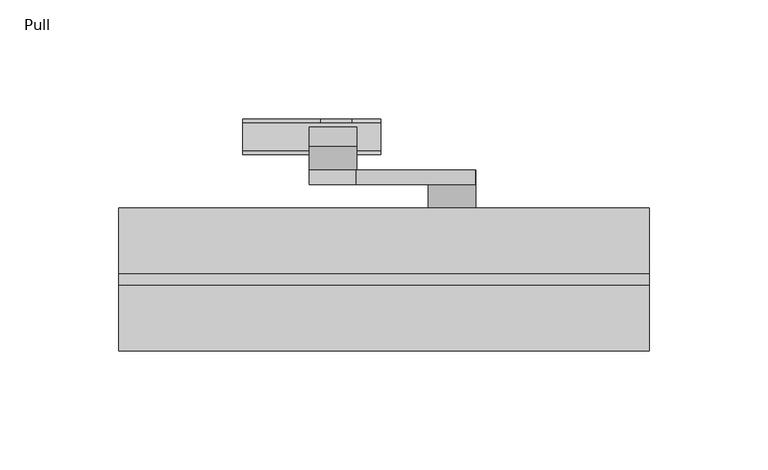
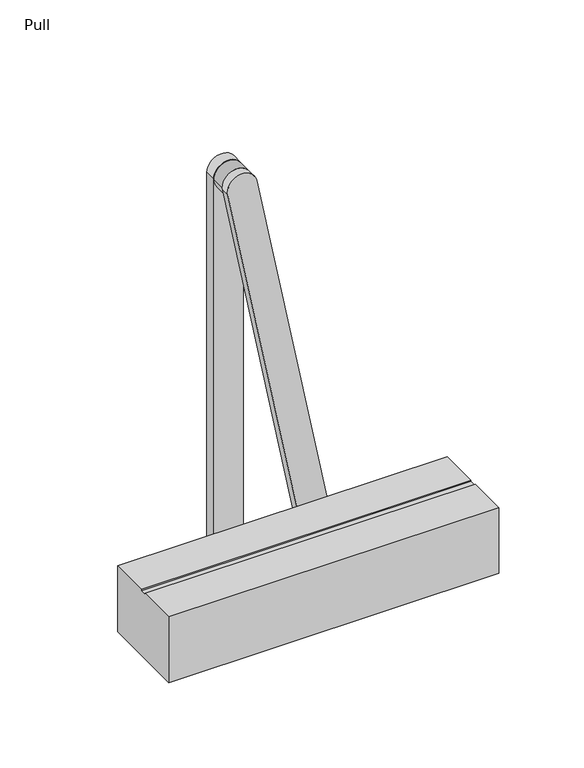
"""IFC4 building model written with IfcOpenShell, lengths in millimetres: proxy geometry, Pull."""

import ifcopenshell
import ifcopenshell.guid

model = None  # the IFC model being written
_history = None  # IfcOwnerHistory: only IFC2X3 demands one
_inside = {}  # id of a spatial element -> (the spatial element, [elements in it])
_under = {}  # id of a project, library or spatial element -> (it, [spatial elements below it])
_declared = {}  # id of a project -> (the project, [libraries it declares])
_typed = {}  # id of a type object -> (the type object, [elements of that type])
_made_of = {}  # id of a material, layer set ... -> (it, [elements and type objects made of it])


def new_model(schema):
    """Start an empty IFC model of exactly this schema.

    Asked for "IFC4X3", IfcOpenShell would pick the latest addendum, in which some entities
    have other attributes; the version numbers below select the first issue.
    IFC2X3 requires an IfcOwnerHistory on every rooted entity: one is made here for all.
    """
    global model, _history
    if schema == "IFC4X3":
        model = ifcopenshell.file(schema_version=(4, 3, 0, 0))
    else:
        model = ifcopenshell.file(schema=schema)
    _inside.clear()
    _under.clear()
    _declared.clear()
    _typed.clear()
    _made_of.clear()
    _history = None
    if model.schema == "IFC2X3":
        org = make("IfcOrganization", Name="unknown")
        user = make(
            "IfcPersonAndOrganization",
            ThePerson=make("IfcPerson", FamilyName="unknown"),
            TheOrganization=org,
        )
        app = make(
            "IfcApplication",
            ApplicationDeveloper=org,
            Version="unknown",
            ApplicationFullName="unknown",
            ApplicationIdentifier="unknown",
        )
        _history = make(
            "IfcOwnerHistory",
            OwningUser=user,
            OwningApplication=app,
            ChangeAction="ADDED",
            CreationDate=0,
        )
    return model


def make(cls, **values):
    """One entity of the class cls with the attributes given. An attribute that is None is left unset."""
    return model.create_entity(
        cls, **{name: value for name, value in values.items() if value is not None}
    )


def rooted(cls, **values):
    """An entity with a GlobalId (a new one), such as an element, a storey or a relation."""
    return make(cls, GlobalId=ifcopenshell.guid.new(), OwnerHistory=_history, **values)


def si_unit(unit_type, name, prefix=None):
    """IfcSIUnit, for example si_unit("LENGTHUNIT", "METRE", prefix="MILLI")."""
    return make("IfcSIUnit", UnitType=unit_type, Prefix=prefix, Name=name)


def assignment(units):
    """IfcUnitAssignment: the units of a project."""
    return None if units is None else make("IfcUnitAssignment", Units=units)


def point(xyz):
    """IfcCartesianPoint."""
    return None if xyz is None else make("IfcCartesianPoint", Coordinates=xyz)


def direction(xyz):
    """IfcDirection."""
    return None if xyz is None else make("IfcDirection", DirectionRatios=xyz)


def frame(location, z_axis=None, x_axis=None):
    """IfcAxis2Placement3D, a coordinate frame: its origin and axes. An axis left out is left unset."""
    return make(
        "IfcAxis2Placement3D",
        Location=point(location),
        Axis=direction(z_axis),
        RefDirection=direction(x_axis),
    )


def frame_2d(location, x_axis=None):
    """IfcAxis2Placement2D, a coordinate frame in the plane: its origin and x axis."""
    return make(
        "IfcAxis2Placement2D", Location=point(location), RefDirection=direction(x_axis)
    )


def origin():
    """The frame at (0, 0, 0) with its axes left unset."""
    return frame((0.0, 0.0, 0.0))


def place(relative_to, where):
    """IfcLocalPlacement: puts the frame where relative to a parent placement (None: the world)."""
    return make(
        "IfcLocalPlacement", PlacementRelTo=relative_to, RelativePlacement=where
    )


def context(
    kind, dimensions, precision=None, world=None, true_north=None, identifier=None
):
    """IfcGeometricRepresentationContext, for example the 3D "Model" context."""
    return make(
        "IfcGeometricRepresentationContext",
        ContextIdentifier=identifier,
        ContextType=kind,
        CoordinateSpaceDimension=dimensions,
        Precision=precision,
        WorldCoordinateSystem=world,
        TrueNorth=true_north,
    )


def project(units=None, contexts=None):
    """IfcProject with its units and contexts."""
    return rooted(
        "IfcProject",
        Name="project",
        RepresentationContexts=contexts,
        UnitsInContext=assignment(units),
    )


def spatial(cls, under=None, at=None, **own):
    """A site, building, storey or space (cls), placed at a placement, below another one or the project."""
    s = rooted(cls, ObjectPlacement=at, **own)
    if under is not None:
        _under.setdefault(under.id(), (under, []))[1].append(s)
    return s


def polyline(points):
    """IfcPolyline through the points."""
    return make("IfcPolyline", Points=[point(p) for p in points])


def circle_curve(where, radius):
    """IfcCircle in the frame where."""
    return make("IfcCircle", Position=where, Radius=radius)


def trimmed(basis, trim1, trim2, sense, master):
    """IfcTrimmedCurve: the piece of a basis curve between two trims."""
    return make(
        "IfcTrimmedCurve",
        BasisCurve=basis,
        Trim1=trim1,
        Trim2=trim2,
        SenseAgreement=sense,
        MasterRepresentation=master,
    )


def segment(curve, same_sense, transition):
    """IfcCompositeCurveSegment."""
    return make(
        "IfcCompositeCurveSegment",
        Transition=transition,
        SameSense=same_sense,
        ParentCurve=curve,
    )


def composite_curve(segments, self_intersect=None):
    """IfcCompositeCurve: segments joined end to end."""
    return make("IfcCompositeCurve", Segments=segments, SelfIntersect=self_intersect)


def outline(outer, holes=None, kind="AREA"):
    """IfcArbitraryClosedProfileDef: a profile drawn as a closed curve; with holes, ...WithVoids."""
    if holes is None:
        return make("IfcArbitraryClosedProfileDef", ProfileType=kind, OuterCurve=outer)
    return make(
        "IfcArbitraryProfileDefWithVoids",
        ProfileType=kind,
        OuterCurve=outer,
        InnerCurves=holes,
    )


def extrude(swept, where, along, depth):
    """IfcExtrudedAreaSolid: the profile swept, set in the frame where, extruded along a direction by depth."""
    return make(
        "IfcExtrudedAreaSolid",
        SweptArea=swept,
        Position=where,
        ExtrudedDirection=direction(along),
        Depth=depth,
    )


def shape(context_of_items, identifier, shape_type, items):
    """IfcShapeRepresentation: the items that make up one representation, for example the "Body"."""
    return make(
        "IfcShapeRepresentation",
        ContextOfItems=context_of_items,
        RepresentationIdentifier=identifier,
        RepresentationType=shape_type,
        Items=items,
    )


def source(mapping_origin, context_of_items, identifier, shape_type, items):
    """IfcRepresentationMap: a shape defined once, which mapped items show again and again."""
    return make(
        "IfcRepresentationMap",
        MappingOrigin=mapping_origin,
        MappedRepresentation=shape(context_of_items, identifier, shape_type, items),
    )


def transform(
    local_origin,
    x_axis=None,
    y_axis=None,
    z_axis=None,
    scale=None,
    scale2=None,
    scale3=None,
    uniform=True,
):
    """IfcCartesianTransformationOperator3D, or its non-uniform kind. x_axis, y_axis, z_axis: its Axis1, 2, 3."""
    if uniform:
        return make(
            "IfcCartesianTransformationOperator3D",
            Axis1=direction(x_axis),
            Axis2=direction(y_axis),
            LocalOrigin=point(local_origin),
            Scale=scale,
            Axis3=direction(z_axis),
        )
    return make(
        "IfcCartesianTransformationOperator3DnonUniform",
        Axis1=direction(x_axis),
        Axis2=direction(y_axis),
        LocalOrigin=point(local_origin),
        Scale=scale,
        Axis3=direction(z_axis),
        Scale2=scale2,
        Scale3=scale3,
    )


def mapped(mapping_source, mapping_target):
    """IfcMappedItem: shows the shape of a source again, moved by a transform."""
    return make(
        "IfcMappedItem", MappingSource=mapping_source, MappingTarget=mapping_target
    )


def made_of(thing, what):
    """Note that an element or type object is made of a material, layer set ...; save() writes the relation."""
    if what is not None:
        _made_of.setdefault(what.id(), (what, []))[1].append(thing)
    return thing


def element(
    cls,
    number,
    at=None,
    inside=None,
    cuts=None,
    type_object=None,
    material=None,
    context=None,
    identifier="Body",
    shape_type=None,
    held_by="IfcProductDefinitionShape",
    body=None,
    shapes=None,
    **own,
):
    """One element of the class cls, such as IfcWall. Its Tag is "e" and its number.

    at: its placement. inside: the storey or other place that contains it. cuts: it is an
    opening in that element (IfcRelVoidsElement). A single representation is given by context,
    identifier, shape_type and body (its items); several are given by shapes. held_by: the class
    of the entity that holds the representations. save() writes the other relations.
    """
    e = rooted(cls, Tag="e%d" % number, ObjectPlacement=at, **own)
    if body is not None:
        shapes = [shape(context, identifier, shape_type, body)]
    if shapes is not None:
        e.Representation = make(held_by, Representations=shapes)
    if inside is not None:
        _inside.setdefault(inside.id(), (inside, []))[1].append(e)
    if cuts is not None:
        rooted(
            "IfcRelVoidsElement", RelatingBuildingElement=cuts, RelatedOpeningElement=e
        )
    if type_object is not None:
        _typed.setdefault(type_object.id(), (type_object, []))[1].append(e)
    return made_of(e, material)


def aggregate(whole, parts):
    """IfcRelAggregates: a whole, such as a stair, and the parts it consists of."""
    return rooted("IfcRelAggregates", RelatingObject=whole, RelatedObjects=parts)


def save(model, path):
    """Write the relations noted so far, then the file.

    IfcRelAggregates (storeys below a building ...), IfcRelContainedInSpatialStructure (elements
    in a storey), IfcRelDefinesByType, IfcRelAssociatesMaterial and IfcRelDeclares: one each for
    every whole, place, type object, material and project.
    """
    for whole, parts in _under.values():
        aggregate(whole, parts)
    for where, things in _inside.values():
        rooted(
            "IfcRelContainedInSpatialStructure",
            RelatedElements=things,
            RelatingStructure=where,
        )
    for kind, things in _typed.values():
        rooted("IfcRelDefinesByType", RelatedObjects=things, RelatingType=kind)
    for what, things in _made_of.values():
        rooted("IfcRelAssociatesMaterial", RelatedObjects=things, RelatingMaterial=what)
    for by, libraries in _declared.values():
        rooted("IfcRelDeclares", RelatingContext=by, RelatedDefinitions=libraries)
    model.write(path)


def plane_surface(at):
    """IfcPlane: the flat surface through the origin of the frame at, square to its z axis."""
    return make("IfcPlane", Position=at)


def cylinder_surface(at, radius):
    """IfcCylindricalSurface: all points at the distance radius from the z axis of the frame at."""
    return make("IfcCylindricalSurface", Position=at, Radius=radius)


def advanced_brep(points, edges, surfaces, faces):
    """IfcAdvancedBrep: a solid bounded by faces that lie on surfaces and meet in shared edges.

    An edge is (start, end): straight between two places in points (the first is 0);
    or (start, end, curve); or (start, end, curve, False) where it runs against its curve.
    A face is (place in surfaces, loops), or (place, loops, False) where it looks against
    its surface's normal. A loop lists edges by number (the first is 1), with a minus sign
    where the edge is run from its end to its start. The first loop is the outer one.
    """
    corners = [point(p) for p in points]
    vertices = [make("IfcVertexPoint", VertexGeometry=c) for c in corners]
    made = []
    for start, end, *more in edges:
        made.append(
            make(
                "IfcEdgeCurve",
                EdgeStart=vertices[start],
                EdgeEnd=vertices[end],
                EdgeGeometry=more[0] if more else make("IfcPolyline", Points=[corners[start], corners[end]]),
                SameSense=more[1] if len(more) > 1 else True,
            )
        )
    hull = []
    for where, loops, *sense in faces:
        bounds = []
        for j, loop in enumerate(loops):
            ring = [make("IfcOrientedEdge", EdgeElement=made[abs(k) - 1], Orientation=k > 0) for k in loop]
            bounds.append(
                make(
                    "IfcFaceOuterBound" if j == 0 else "IfcFaceBound",
                    Bound=make("IfcEdgeLoop", EdgeList=ring),
                    Orientation=True,
                )
            )
        hull.append(make("IfcAdvancedFace", Bounds=bounds, FaceSurface=surfaces[where], SameSense=sense[0] if sense else True))
    return make("IfcAdvancedBrep", Outer=make("IfcClosedShell", CfsFaces=hull))


def pull_ddca34ec(model_context):
    return source(origin(), model_context, "Body", "SolidModel", [
        extrude(outline(composite_curve([segment(trimmed(circle_curve(frame_2d((279.5, -132.8828125)), 10.0), [point((279.5, -122.8828125))], [point((279.5, -142.8828125))], False, "CARTESIAN"), True, "CONTINUOUS"), segment(polyline([(279.5, -142.8828125), (4.5, -142.8828125), (4.5, -122.8828125), (279.5, -122.8828125)]), True, "CONTINUOUS")], self_intersect=False)), frame((0.0, 86.1, 0.0), z_axis=(0.0, 1.0, 0.0), x_axis=(0.0, 0.0, 1.0)), (0.0, 0.0, 1.0), 8.0),
        extrude(outline(composite_curve([segment(trimmed(circle_curve(frame_2d((279.5, -132.8828125)), 10.0), [point((281.4169051, -123.0682583))], [point((277.5830949, -142.6973667))], False, "CARTESIAN"), True, "CONTINUOUS"), segment(polyline([(277.5830949, -142.6973667), (21.5830949, -92.6973667)]), True, "CONTINUOUS"), segment(trimmed(circle_curve(frame_2d((23.5, -82.8828125)), 10.0), [point((21.5830949, -92.6973667))], [point((25.4169051, -73.0682583))], False, "CARTESIAN"), True, "CONTINUOUS"), segment(polyline([(25.4169051, -73.0682583), (281.4169051, -123.0682583)]), True, "CONTINUOUS")], self_intersect=False)), frame((0.0, 70.0, 0.0), z_axis=(0.0, 1.0, 0.0), x_axis=(0.0, 0.0, 1.0)), (0.0, 0.0, 1.0), 6.0),
        extrude(outline(polyline([(-170.8828125, 97.6), (-112.8828125, 97.6), (-112.8828125, 82.6), (-170.8828125, 82.6), (-170.8828125, 97.6)])), frame((0.0, 0.0, 3.0), z_axis=(0.0, 0.0, 1.0), x_axis=(1.0, 0.0, 0.0)), (0.0, 0.0, 1.0), 1.5),
        extrude(outline(composite_curve([segment(polyline([(3.0, -170.8828125), (3.0, -112.8828125), (8.0, -112.8828125), (15.0431445, -125.0818966)]), True, "CONTINUOUS"), segment(trimmed(circle_curve(frame_2d((0.1083868, -133.704483)), 17.2451727), [point((15.0431445, -125.0818966))], [point((16.7659445, -138.1678621))], False, "CARTESIAN"), True, "CONTINUOUS"), segment(polyline([(16.7659445, -138.1678621), (8.0, -170.8828125), (3.0, -170.8828125)]), True, "CONTINUOUS")], self_intersect=False)), frame((0.0, 82.6, 0.0), z_axis=(0.0, 1.0, 0.0), x_axis=(0.0, 0.0, 1.0)), (0.0, 0.0, 1.0), 1.5),
        extrude(outline(composite_curve([segment(polyline([(3.0, -170.8828125), (3.0, -112.8828125), (8.0, -112.8828125), (15.0431445, -125.0818966)]), True, "CONTINUOUS"), segment(trimmed(circle_curve(frame_2d((0.1083868, -133.704483)), 17.2451727), [point((15.0431445, -125.0818966))], [point((16.7659445, -138.1678621))], False, "CARTESIAN"), True, "CONTINUOUS"), segment(polyline([(16.7659445, -138.1678621), (8.0, -170.8828125), (3.0, -170.8828125)]), True, "CONTINUOUS")], self_intersect=False)), frame((0.0, 96.1, 0.0), z_axis=(0.0, 1.0, 0.0), x_axis=(0.0, 0.0, 1.0)), (0.0, 0.0, 1.0), 1.5),
        extrude(outline(composite_curve([segment(trimmed(circle_curve(frame_2d((279.5, -132.8828125)), 10.0), [point((279.5, -142.8828125))], [point((279.5, -122.8828125))], False, "CARTESIAN"), True, "CONTINUOUS"), segment(trimmed(circle_curve(frame_2d((279.5, -132.8828125)), 10.0), [point((279.5, -122.8828125))], [point((279.5, -142.8828125))], False, "CARTESIAN"), True, "CONTINUOUS")], self_intersect=False)), frame((0.0, 76.0, 0.0), z_axis=(0.0, 1.0, 0.0), x_axis=(0.0, 0.0, 1.0)), (0.0, 0.0, 1.0), 10.1),
        advanced_brep(
        [(-92.8828125, 70.0, 23.5), (-72.8828125, 70.0, 23.5), (-72.8828125, 60.0, 23.5), (-92.8828125, 60.0, 23.5), (-82.8828125, 60.0, 23.5), (-82.8828125, 70.0, 23.5)],
        [
            (0, 1, circle_curve(frame((-82.8828125, 70.0, 23.5), z_axis=(0.0, -1.0, 0.0), x_axis=(1.0, 0.0, 0.0)), 10.0)),
            (1, 2),
            (2, 3, circle_curve(frame((-82.8828125, 60.0, 23.5), z_axis=(0.0, 1.0, 0.0), x_axis=(1.0, 0.0, 0.0)), 10.0)),
            (3, 0),
            (1, 0, circle_curve(frame((-82.8828125, 70.0, 23.5), z_axis=(0.0, -1.0, 0.0), x_axis=(1.0, 0.0, 0.0)), 10.0)),
            (3, 2, circle_curve(frame((-82.8828125, 60.0, 23.5), z_axis=(0.0, 1.0, 0.0), x_axis=(1.0, 0.0, 0.0)), 10.0)),
            (2, 4),
            (4, 3),
            (5, 1),
            (0, 5),
        ],
        [
            cylinder_surface(frame((-82.8828125, 118.0, 23.5), z_axis=(0.0, 1.0, 0.0), x_axis=(1.0, 0.0, 0.0)), 10.0),
            plane_surface(frame((-82.8828125, 60.0, 23.5), z_axis=(0.0, -1.0, 0.0), x_axis=(1.0, 0.0, 0.0))),
            plane_surface(frame((-82.8828125, 70.0, 23.5), z_axis=(0.0, 1.0, 0.0), x_axis=(1.0, 0.0, 0.0))),
        ],
        [
            (0, [[1, 2, 3, 4]]),
            (0, [[5, -4, 6, -2]]),
            (1, [[-3, 7, 8]]),
            (1, [[-6, -8, -7]]),
            (2, [[9, -1, 10]]),
            (2, [[-10, -5, -9]]),
        ],
    ),
        extrude(outline(polyline([(60.0, 0.0), (0.0, 0.0), (0.0, 47.0), (27.5, 47.0), (27.5, 46.0), (32.5, 46.0), (32.5, 47.0), (60.0, 47.0), (60.0, 0.0)])), frame((-222.8828125, 0.0, 0.0), z_axis=(1.0, 0.0, 0.0), x_axis=(0.0, 1.0, 0.0)), (0.0, 0.0, 1.0), 222.8828125),
    ])


if __name__ == "__main__":
    model = new_model("IFC4")
    model_context = context("Model", 3, world=origin())
    ifc_project = project(units=[si_unit("LENGTHUNIT", "METRE", prefix="MILLI")], contexts=[model_context])
    site = spatial("IfcSite", under=ifc_project)
    building = spatial("IfcBuilding", under=site)
    placement = place(None, origin())
    pull_shape = pull_ddca34ec(model_context)
    element("IfcBuildingElementProxy", 1, Name="Pull", ObjectType="Pull", at=placement, inside=building, context=model_context, shape_type="MappedRepresentation", body=[
        mapped(pull_shape, transform((0.0, 0.0, 0.0), x_axis=(1.0, 0.0, 0.0), y_axis=(0.0, 1.0, 0.0), z_axis=(0.0, 0.0, 1.0))),
    ])
    save(model, "model.ifc")
